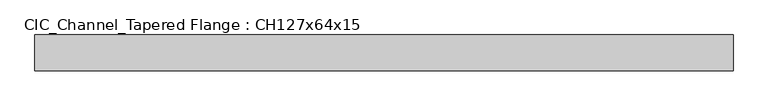
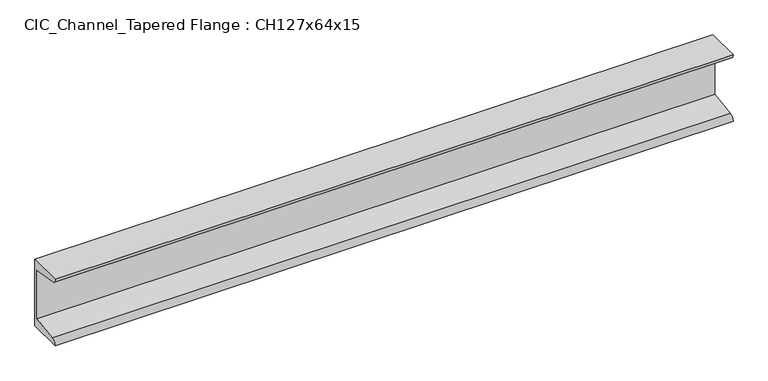
"""IFC4 building model written with IfcOpenShell, lengths in millimetres: beam geometry, CIC_Channel_Tapered Flange : CH127x64x15."""

from ifc_helpers import new_model, si_unit, point, frame, frame_2d, origin, place, context, project, spatial, polyline, circle_curve, trimmed, segment, composite_curve, outline, extrude, source, transform, mapped, element, save


def cic_channel_tapered_flange_ch127x64x15_854b7faf(model_context):
    return source(origin(), model_context, "Body", "SweptSolid", [
        extrude(outline(composite_curve([segment(polyline([(19.4, 63.5), (19.4, -63.5), (-44.1, -63.5)]), True, "CONTINUOUS"), segment(trimmed(circle_curve(frame_2d((-34.9, -63.5)), 9.2), [point((-44.1, -63.5))], [point((-34.9, -54.3))], False, "CARTESIAN"), True, "CONTINUOUS"), segment(polyline([(-34.9, -54.3), (13.0, -46.7133853), (13.0, 46.7133853), (-34.9, 54.3)]), True, "CONTINUOUS"), segment(trimmed(circle_curve(frame_2d((-34.9, 63.5)), 9.2), [point((-34.9, 54.3))], [point((-44.1, 63.5))], False, "CARTESIAN"), True, "CONTINUOUS"), segment(polyline([(-44.1, 63.5), (19.4, 63.5)]), True, "CONTINUOUS")], self_intersect=False)), frame((-615.85, 0.0, 0.0), z_axis=(1.0, 0.0, 0.0), x_axis=(0.0, 1.0, 0.0)), (0.0, 0.0, 1.0), 1231.7),
    ])


if __name__ == "__main__":
    model = new_model("IFC4")
    model_context = context("Model", 3, world=origin())
    ifc_project = project(units=[si_unit("LENGTHUNIT", "METRE", prefix="MILLI")], contexts=[model_context])
    site = spatial("IfcSite", under=ifc_project)
    building = spatial("IfcBuilding", under=site)
    placement = place(None, origin())
    cic_channel_tapered_flange_ch127x64x15_shape = cic_channel_tapered_flange_ch127x64x15_854b7faf(model_context)
    element("IfcBeam", 1, ObjectType="CIC_Channel_Tapered Flange : CH127x64x15", at=placement, inside=building, context=model_context, shape_type="MappedRepresentation", body=[
        mapped(cic_channel_tapered_flange_ch127x64x15_shape, transform((0.0, 0.0, 0.0), x_axis=(1.0, 0.0, 0.0), y_axis=(0.0, 1.0, 0.0), z_axis=(0.0, 0.0, 1.0))),
    ])
    save(model, "model.ifc")
